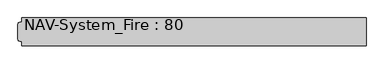
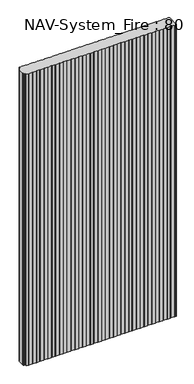
"""IFC4 building model written with IfcOpenShell, lengths in millimetres: plate geometry, NAV-System_Fire : 80."""

from ifc_helpers import new_model, si_unit, frame, origin, place, context, project, spatial, circle_curve, source, transform, mapped, element, save
from ifc_brep_helpers import plane_surface, cylinder_surface, advanced_brep


def nav_system_fire_80_c1c74612(model_context):
    return source(origin(), model_context, "Body", "AdvancedBrep", [
        advanced_brep(
        [(489.3798221, -0.8, 2000.0), (486.3798221, -1.8, 2000.0), (464.1201779, -1.8, 2000.0), (461.1201779, -0.8, 2000.0), (439.3798221, -0.8, 2000.0), (436.3798221, -1.8, 2000.0), (414.1201779, -1.8, 2000.0), (411.1201779, -0.8, 2000.0), (389.3798221, -0.8, 2000.0), (386.3798221, -1.8, 2000.0), (364.1201779, -1.8, 2000.0), (361.1201779, -0.8, 2000.0), (339.3798221, -0.8, 2000.0), (336.3798221, -1.8, 2000.0), (314.1201779, -1.8, 2000.0), (311.1201779, -0.8, 2000.0), (289.3798221, -0.8, 2000.0), (286.3798221, -1.8, 2000.0), (264.1201779, -1.8, 2000.0), (261.1201779, -0.8, 2000.0), (239.3798221, -0.8, 2000.0), (236.3798221, -1.8, 2000.0), (214.1201779, -1.8, 2000.0), (211.1201779, -0.8, 2000.0), (189.3798221, -0.8, 2000.0), (186.3798221, -1.8, 2000.0), (164.1201779, -1.8, 2000.0), (161.1201779, -0.8, 2000.0), (139.3798221, -0.8, 2000.0), (136.3798221, -1.8, 2000.0), (114.1201779, -1.8, 2000.0), (111.1201779, -0.8, 2000.0), (89.3798221, -0.8, 2000.0), (86.3798221, -1.8, 2000.0), (64.1201779, -1.8, 2000.0), (61.1201779, -0.8, 2000.0), (39.3798221, -0.8, 2000.0), (36.3798221, -1.8, 2000.0), (14.1201779, -1.8, 2000.0), (11.1201779, -0.8, 2000.0), (-10.6201779, -0.8, 2000.0), (-13.6201779, -1.8, 2000.0), (-35.8798221, -1.8, 2000.0), (-38.8798221, -0.8, 2000.0), (-60.6201779, -0.8, 2000.0), (-63.6201779, -1.8, 2000.0), (-85.8798221, -1.8, 2000.0), (-88.8798221, -0.8, 2000.0), (-110.6201779, -0.8, 2000.0), (-113.6201779, -1.8, 2000.0), (-135.8798221, -1.8, 2000.0), (-138.8798221, -0.8, 2000.0), (-160.6201779, -0.8, 2000.0), (-163.6201779, -1.8, 2000.0), (-185.8798221, -1.8, 2000.0), (-188.8798221, -0.8, 2000.0), (-210.6201779, -0.8, 2000.0), (-213.6201779, -1.8, 2000.0), (-235.8798221, -1.8, 2000.0), (-238.8798221, -0.8, 2000.0), (-260.6201779, -0.8, 2000.0), (-263.6201779, -1.8, 2000.0), (-285.8798221, -1.8, 2000.0), (-288.8798221, -0.8, 2000.0), (-310.6201779, -0.8, 2000.0), (-313.6201779, -1.8, 2000.0), (-335.8798221, -1.8, 2000.0), (-338.8798221, -0.8, 2000.0), (-360.6201779, -0.8, 2000.0), (-363.6201779, -1.8, 2000.0), (-385.8798221, -1.8, 2000.0), (-388.8798221, -0.8, 2000.0), (-410.6201779, -0.8, 2000.0), (-413.6201779, -1.8, 2000.0), (-435.8798221, -1.8, 2000.0), (-438.8798221, -0.8, 2000.0), (-460.6201779, -0.8, 2000.0), (-463.6201779, -1.8, 2000.0), (-476.9102086, -1.8, 2000.0), (-476.9102086, -14.4343223, 2000.0), (-483.4274784, -14.4343223, 2000.0), (-485.8625665, -14.8636942, 2000.0), (-487.3500004, -16.636349, 2000.0), (-487.3500004, -19.9487816, 2000.0), (-488.9002227, -19.9487816, 2000.0), (-488.9002227, -61.6487997, 2000.0), (-487.3500014, -61.6487997, 2000.0), (-487.3500014, -64.963651, 2000.0), (-485.8625665, -66.7363054, 2000.0), (-483.4274762, -67.1656777, 2000.0), (-476.9102086, -67.1656777, 2000.0), (-476.9102086, -79.8, 2000.0), (-463.6201779, -79.8, 2000.0), (-460.6201779, -80.8, 2000.0), (-438.8798221, -80.8, 2000.0), (-435.8798221, -79.8, 2000.0), (-413.6201779, -79.8, 2000.0), (-410.6201779, -80.8, 2000.0), (-388.8798221, -80.8, 2000.0), (-385.8798221, -79.8, 2000.0), (-363.6201779, -79.8, 2000.0), (-360.6201779, -80.8, 2000.0), (-338.8798221, -80.8, 2000.0), (-335.8798221, -79.8, 2000.0), (-313.6201779, -79.8, 2000.0), (-310.6201779, -80.8, 2000.0), (-288.8798221, -80.8, 2000.0), (-285.8798221, -79.8, 2000.0), (-263.6201779, -79.8, 2000.0), (-260.6201779, -80.8, 2000.0), (-238.8798221, -80.8, 2000.0), (-235.8798221, -79.8, 2000.0), (-213.6201779, -79.8, 2000.0), (-210.6201779, -80.8, 2000.0), (-188.8798221, -80.8, 2000.0), (-185.8798221, -79.8, 2000.0), (-163.6201779, -79.8, 2000.0), (-160.6201779, -80.8, 2000.0), (-138.8798221, -80.8, 2000.0), (-135.8798221, -79.8, 2000.0), (-113.6201779, -79.8, 2000.0), (-110.6201779, -80.8, 2000.0), (-88.8798221, -80.8, 2000.0), (-85.8798221, -79.8, 2000.0), (-63.6201779, -79.8, 2000.0), (-60.6201779, -80.8, 2000.0), (-38.8798221, -80.8, 2000.0), (-35.8798221, -79.8, 2000.0), (-13.6201779, -79.8, 2000.0), (-10.6201779, -80.8, 2000.0), (11.1201779, -80.8, 2000.0), (14.1201779, -79.8, 2000.0), (36.3798221, -79.8, 2000.0), (39.3798221, -80.8, 2000.0), (61.1201779, -80.8, 2000.0), (64.1201779, -79.8, 2000.0), (86.3798221, -79.8, 2000.0), (89.3798221, -80.8, 2000.0), (111.1201779, -80.8, 2000.0), (114.1201779, -79.8, 2000.0), (136.3798221, -79.8, 2000.0), (139.3798221, -80.8, 2000.0), (161.1201779, -80.8, 2000.0), (164.1201779, -79.8, 2000.0), (186.3798221, -79.8, 2000.0), (189.3798221, -80.8, 2000.0), (211.1201779, -80.8, 2000.0), (214.1201779, -79.8, 2000.0), (236.3798221, -79.8, 2000.0), (239.3798221, -80.8, 2000.0), (261.1201779, -80.8, 2000.0), (264.1201779, -79.8, 2000.0), (286.3798221, -79.8, 2000.0), (289.3798221, -80.8, 2000.0), (311.1201779, -80.8, 2000.0), (314.1201779, -79.8, 2000.0), (336.3798221, -79.8, 2000.0), (339.3798221, -80.8, 2000.0), (361.1201779, -80.8, 2000.0), (364.1201779, -79.8, 2000.0), (386.3798221, -79.8, 2000.0), (389.3798221, -80.8, 2000.0), (411.1201779, -80.8, 2000.0), (414.1201779, -79.8, 2000.0), (436.3798221, -79.8, 2000.0), (439.3798221, -80.8, 2000.0), (461.1201779, -80.8, 2000.0), (464.1201779, -79.8, 2000.0), (486.3798221, -79.8, 2000.0), (489.3798221, -80.8, 2000.0), (498.2500017, -80.8, 2000.0), (499.4471561, -79.6825886, 2000.0), (499.4471561, -75.3999876, 2000.0), (499.75, -75.3999876, 2000.0), (499.75, -6.2000131, 2000.0), (499.4471561, -6.2000131, 2000.0), (499.4471561, -1.9174088, 2000.0), (498.2500017, -0.8, 2000.0), (489.3798221, -0.8, 0.0), (498.2500017, -0.8, 0.0), (499.4471561, -1.9174088, 0.0), (499.4471561, -6.2000131, 0.0), (499.75, -6.2000131, 0.0), (499.75, -75.3999876, 0.0), (499.4471561, -75.3999876, 0.0), (499.4471561, -79.6825886, 0.0), (498.2500017, -80.8, 0.0), (489.3798221, -80.8, 0.0), (486.3798221, -79.8, 0.0), (464.1201779, -79.8, 0.0), (461.1201779, -80.8, 0.0), (439.3798221, -80.8, 0.0), (436.3798221, -79.8, 0.0), (414.1201779, -79.8, 0.0), (411.1201779, -80.8, 0.0), (389.3798221, -80.8, 0.0), (386.3798221, -79.8, 0.0), (364.1201779, -79.8, 0.0), (361.1201779, -80.8, 0.0), (339.3798221, -80.8, 0.0), (336.3798221, -79.8, 0.0), (314.1201779, -79.8, 0.0), (311.1201779, -80.8, 0.0), (289.3798221, -80.8, 0.0), (286.3798221, -79.8, 0.0), (264.1201779, -79.8, 0.0), (261.1201779, -80.8, 0.0), (239.3798221, -80.8, 0.0), (236.3798221, -79.8, 0.0), (214.1201779, -79.8, 0.0), (211.1201779, -80.8, 0.0), (189.3798221, -80.8, 0.0), (186.3798221, -79.8, 0.0), (164.1201779, -79.8, 0.0), (161.1201779, -80.8, 0.0), (139.3798221, -80.8, 0.0), (136.3798221, -79.8, 0.0), (114.1201779, -79.8, 0.0), (111.1201779, -80.8, 0.0), (89.3798221, -80.8, 0.0), (86.3798221, -79.8, 0.0), (64.1201779, -79.8, 0.0), (61.1201779, -80.8, 0.0), (39.3798221, -80.8, 0.0), (36.3798221, -79.8, 0.0), (14.1201779, -79.8, 0.0), (11.1201779, -80.8, 0.0), (-10.6201779, -80.8, 0.0), (-13.6201779, -79.8, 0.0), (-35.8798221, -79.8, 0.0), (-38.8798221, -80.8, 0.0), (-60.6201779, -80.8, 0.0), (-63.6201779, -79.8, 0.0), (-85.8798221, -79.8, 0.0), (-88.8798221, -80.8, 0.0), (-110.6201779, -80.8, 0.0), (-113.6201779, -79.8, 0.0), (-135.8798221, -79.8, 0.0), (-138.8798221, -80.8, 0.0), (-160.6201779, -80.8, 0.0), (-163.6201779, -79.8, 0.0), (-185.8798221, -79.8, 0.0), (-188.8798221, -80.8, 0.0), (-210.6201779, -80.8, 0.0), (-213.6201779, -79.8, 0.0), (-235.8798221, -79.8, 0.0), (-238.8798221, -80.8, 0.0), (-260.6201779, -80.8, 0.0), (-263.6201779, -79.8, 0.0), (-285.8798221, -79.8, 0.0), (-288.8798221, -80.8, 0.0), (-310.6201779, -80.8, 0.0), (-313.6201779, -79.8, 0.0), (-335.8798221, -79.8, 0.0), (-338.8798221, -80.8, 0.0), (-360.6201779, -80.8, 0.0), (-363.6201779, -79.8, 0.0), (-385.8798221, -79.8, 0.0), (-388.8798221, -80.8, 0.0), (-410.6201779, -80.8, 0.0), (-413.6201779, -79.8, 0.0), (-435.8798221, -79.8, 0.0), (-438.8798221, -80.8, 0.0), (-460.6201779, -80.8, 0.0), (-463.6201779, -79.8, 0.0), (-476.9102086, -79.8, 0.0), (-476.9102086, -67.1656777, 0.0), (-483.4274762, -67.1656777, 0.0), (-485.8625665, -66.7363054, 0.0), (-487.3500004, -64.963651, 0.0), (-487.3500014, -61.6487997, 0.0), (-488.9002227, -61.6487997, 0.0), (-488.9002227, -19.9487816, 0.0), (-487.3500004, -19.9487816, 0.0), (-487.3500004, -16.636349, 0.0), (-485.8625665, -14.8636942, 0.0), (-483.4274784, -14.4343223, 0.0), (-476.9102086, -14.4343223, 0.0), (-476.9102086, -1.8, 0.0), (-463.6201779, -1.8, 0.0), (-460.6201779, -0.8, 0.0), (-438.8798221, -0.8, 0.0), (-435.8798221, -1.8, 0.0), (-413.6201779, -1.8, 0.0), (-410.6201779, -0.8, 0.0), (-388.8798221, -0.8, 0.0), (-385.8798221, -1.8, 0.0), (-363.6201779, -1.8, 0.0), (-360.6201779, -0.8, 0.0), (-338.8798221, -0.8, 0.0), (-335.8798221, -1.8, 0.0), (-313.6201779, -1.8, 0.0), (-310.6201779, -0.8, 0.0), (-288.8798221, -0.8, 0.0), (-285.8798221, -1.8, 0.0), (-263.6201779, -1.8, 0.0), (-260.6201779, -0.8, 0.0), (-238.8798221, -0.8, 0.0), (-235.8798221, -1.8, 0.0), (-213.6201779, -1.8, 0.0), (-210.6201779, -0.8, 0.0), (-188.8798221, -0.8, 0.0), (-185.8798221, -1.8, 0.0), (-163.6201779, -1.8, 0.0), (-160.6201779, -0.8, 0.0), (-138.8798221, -0.8, 0.0), (-135.8798221, -1.8, 0.0), (-113.6201779, -1.8, 0.0), (-110.6201779, -0.8, 0.0), (-88.8798221, -0.8, 0.0), (-85.8798221, -1.8, 0.0), (-63.6201779, -1.8, 0.0), (-60.6201779, -0.8, 0.0), (-38.8798221, -0.8, 0.0), (-35.8798221, -1.8, 0.0), (-13.6201779, -1.8, 0.0), (-10.6201779, -0.8, 0.0), (11.1201779, -0.8, 0.0), (14.1201779, -1.8, 0.0), (36.3798221, -1.8, 0.0), (39.3798221, -0.8, 0.0), (61.1201779, -0.8, 0.0), (64.1201779, -1.8, 0.0), (86.3798221, -1.8, 0.0), (89.3798221, -0.8, 0.0), (111.1201779, -0.8, 0.0), (114.1201779, -1.8, 0.0), (136.3798221, -1.8, 0.0), (139.3798221, -0.8, 0.0), (161.1201779, -0.8, 0.0), (164.1201779, -1.8, 0.0), (186.3798221, -1.8, 0.0), (189.3798221, -0.8, 0.0), (211.1201779, -0.8, 0.0), (214.1201779, -1.8, 0.0), (236.3798221, -1.8, 0.0), (239.3798221, -0.8, 0.0), (261.1201779, -0.8, 0.0), (264.1201779, -1.8, 0.0), (286.3798221, -1.8, 0.0), (289.3798221, -0.8, 0.0), (311.1201779, -0.8, 0.0), (314.1201779, -1.8, 0.0), (336.3798221, -1.8, 0.0), (339.3798221, -0.8, 0.0), (361.1201779, -0.8, 0.0), (364.1201779, -1.8, 0.0), (386.3798221, -1.8, 0.0), (389.3798221, -0.8, 0.0), (411.1201779, -0.8, 0.0), (414.1201779, -1.8, 0.0), (436.3798221, -1.8, 0.0), (439.3798221, -0.8, 0.0), (461.1201779, -0.8, 0.0), (464.1201779, -1.8, 0.0), (486.3798221, -1.8, 0.0)],
        [
            (0, 1),
            (1, 2),
            (2, 3),
            (3, 4),
            (4, 5),
            (5, 6),
            (6, 7),
            (7, 8),
            (8, 9),
            (9, 10),
            (10, 11),
            (11, 12),
            (12, 13),
            (13, 14),
            (14, 15),
            (15, 16),
            (16, 17),
            (17, 18),
            (18, 19),
            (19, 20),
            (20, 21),
            (21, 22),
            (22, 23),
            (23, 24),
            (24, 25),
            (25, 26),
            (26, 27),
            (27, 28),
            (28, 29),
            (29, 30),
            (30, 31),
            (31, 32),
            (32, 33),
            (33, 34),
            (34, 35),
            (35, 36),
            (36, 37),
            (37, 38),
            (38, 39),
            (39, 40),
            (40, 41),
            (41, 42),
            (42, 43),
            (43, 44),
            (44, 45),
            (45, 46),
            (46, 47),
            (47, 48),
            (48, 49),
            (49, 50),
            (50, 51),
            (51, 52),
            (52, 53),
            (53, 54),
            (54, 55),
            (55, 56),
            (56, 57),
            (57, 58),
            (58, 59),
            (59, 60),
            (60, 61),
            (61, 62),
            (62, 63),
            (63, 64),
            (64, 65),
            (65, 66),
            (66, 67),
            (67, 68),
            (68, 69),
            (69, 70),
            (70, 71),
            (71, 72),
            (72, 73),
            (73, 74),
            (74, 75),
            (75, 76),
            (76, 77),
            (77, 78),
            (78, 79),
            (79, 80),
            (80, 81),
            (81, 82, circle_curve(frame((-485.5499995, -16.636349, 2000.0), z_axis=(0.0, 0.0, 1.0), x_axis=(1.0, 0.0, 0.0)), 1.8000009)),
            (82, 83),
            (83, 84),
            (84, 85),
            (85, 86),
            (86, 87),
            (87, 88, circle_curve(frame((-485.5499995, -64.9636506, 2000.0), z_axis=(0.0, 0.0, 1.0), x_axis=(1.0, 0.0, 0.0)), 1.8000009)),
            (88, 89),
            (89, 90),
            (90, 91),
            (91, 92),
            (92, 93),
            (93, 94),
            (94, 95),
            (95, 96),
            (96, 97),
            (97, 98),
            (98, 99),
            (99, 100),
            (100, 101),
            (101, 102),
            (102, 103),
            (103, 104),
            (104, 105),
            (105, 106),
            (106, 107),
            (107, 108),
            (108, 109),
            (109, 110),
            (110, 111),
            (111, 112),
            (112, 113),
            (113, 114),
            (114, 115),
            (115, 116),
            (116, 117),
            (117, 118),
            (118, 119),
            (119, 120),
            (120, 121),
            (121, 122),
            (122, 123),
            (123, 124),
            (124, 125),
            (125, 126),
            (126, 127),
            (127, 128),
            (128, 129),
            (129, 130),
            (130, 131),
            (131, 132),
            (132, 133),
            (133, 134),
            (134, 135),
            (135, 136),
            (136, 137),
            (137, 138),
            (138, 139),
            (139, 140),
            (140, 141),
            (141, 142),
            (142, 143),
            (143, 144),
            (144, 145),
            (145, 146),
            (146, 147),
            (147, 148),
            (148, 149),
            (149, 150),
            (150, 151),
            (151, 152),
            (152, 153),
            (153, 154),
            (154, 155),
            (155, 156),
            (156, 157),
            (157, 158),
            (158, 159),
            (159, 160),
            (160, 161),
            (161, 162),
            (162, 163),
            (163, 164),
            (164, 165),
            (165, 166),
            (166, 167),
            (167, 168),
            (168, 169),
            (169, 170),
            (170, 171, circle_curve(frame((498.2500017, -79.6000001, 2000.0), z_axis=(0.0, 0.0, 1.0), x_axis=(1.0, 0.0, 0.0)), 1.1999999)),
            (171, 172),
            (172, 173),
            (173, 174),
            (174, 175),
            (175, 176),
            (176, 177, circle_curve(frame((498.2500017, -2.0, 2000.0), z_axis=(0.0, 0.0, 1.0), x_axis=(1.0, 0.0, 0.0)), 1.2)),
            (177, 0),
            (178, 179),
            (179, 180, circle_curve(frame((498.2500017, -2.0, 0.0), z_axis=(0.0, 0.0, -1.0), x_axis=(1.0, 0.0, 0.0)), 1.2)),
            (180, 181),
            (181, 182),
            (182, 183),
            (183, 184),
            (184, 185),
            (185, 186, circle_curve(frame((498.2500017, -79.6000001, 0.0), z_axis=(0.0, 0.0, -1.0), x_axis=(1.0, 0.0, 0.0)), 1.1999999)),
            (186, 187),
            (187, 188),
            (188, 189),
            (189, 190),
            (190, 191),
            (191, 192),
            (192, 193),
            (193, 194),
            (194, 195),
            (195, 196),
            (196, 197),
            (197, 198),
            (198, 199),
            (199, 200),
            (200, 201),
            (201, 202),
            (202, 203),
            (203, 204),
            (204, 205),
            (205, 206),
            (206, 207),
            (207, 208),
            (208, 209),
            (209, 210),
            (210, 211),
            (211, 212),
            (212, 213),
            (213, 214),
            (214, 215),
            (215, 216),
            (216, 217),
            (217, 218),
            (218, 219),
            (219, 220),
            (220, 221),
            (221, 222),
            (222, 223),
            (223, 224),
            (224, 225),
            (225, 226),
            (226, 227),
            (227, 228),
            (228, 229),
            (229, 230),
            (230, 231),
            (231, 232),
            (232, 233),
            (233, 234),
            (234, 235),
            (235, 236),
            (236, 237),
            (237, 238),
            (238, 239),
            (239, 240),
            (240, 241),
            (241, 242),
            (242, 243),
            (243, 244),
            (244, 245),
            (245, 246),
            (246, 247),
            (247, 248),
            (248, 249),
            (249, 250),
            (250, 251),
            (251, 252),
            (252, 253),
            (253, 254),
            (254, 255),
            (255, 256),
            (256, 257),
            (257, 258),
            (258, 259),
            (259, 260),
            (260, 261),
            (261, 262),
            (262, 263),
            (263, 264),
            (264, 265),
            (265, 266),
            (266, 267),
            (267, 268),
            (268, 269, circle_curve(frame((-485.5499995, -64.9636506, 0.0), z_axis=(0.0, 0.0, -1.0), x_axis=(1.0, 0.0, 0.0)), 1.8000009)),
            (269, 270),
            (270, 271),
            (271, 272),
            (272, 273),
            (273, 274),
            (274, 275, circle_curve(frame((-485.5499995, -16.636349, 0.0), z_axis=(0.0, 0.0, -1.0), x_axis=(1.0, 0.0, 0.0)), 1.8000009)),
            (275, 276),
            (276, 277),
            (277, 278),
            (278, 279),
            (279, 280),
            (280, 281),
            (281, 282),
            (282, 283),
            (283, 284),
            (284, 285),
            (285, 286),
            (286, 287),
            (287, 288),
            (288, 289),
            (289, 290),
            (290, 291),
            (291, 292),
            (292, 293),
            (293, 294),
            (294, 295),
            (295, 296),
            (296, 297),
            (297, 298),
            (298, 299),
            (299, 300),
            (300, 301),
            (301, 302),
            (302, 303),
            (303, 304),
            (304, 305),
            (305, 306),
            (306, 307),
            (307, 308),
            (308, 309),
            (309, 310),
            (310, 311),
            (311, 312),
            (312, 313),
            (313, 314),
            (314, 315),
            (315, 316),
            (316, 317),
            (317, 318),
            (318, 319),
            (319, 320),
            (320, 321),
            (321, 322),
            (322, 323),
            (323, 324),
            (324, 325),
            (325, 326),
            (326, 327),
            (327, 328),
            (328, 329),
            (329, 330),
            (330, 331),
            (331, 332),
            (332, 333),
            (333, 334),
            (334, 335),
            (335, 336),
            (336, 337),
            (337, 338),
            (338, 339),
            (339, 340),
            (340, 341),
            (341, 342),
            (342, 343),
            (343, 344),
            (344, 345),
            (345, 346),
            (346, 347),
            (347, 348),
            (348, 349),
            (349, 350),
            (350, 351),
            (351, 352),
            (352, 353),
            (353, 354),
            (354, 355),
            (355, 178),
            (177, 179),
            (178, 0),
            (355, 1),
            (354, 2),
            (353, 3),
            (352, 4),
            (351, 5),
            (350, 6),
            (349, 7),
            (348, 8),
            (347, 9),
            (346, 10),
            (345, 11),
            (344, 12),
            (343, 13),
            (342, 14),
            (341, 15),
            (340, 16),
            (339, 17),
            (338, 18),
            (337, 19),
            (336, 20),
            (335, 21),
            (334, 22),
            (333, 23),
            (332, 24),
            (331, 25),
            (330, 26),
            (329, 27),
            (328, 28),
            (327, 29),
            (326, 30),
            (325, 31),
            (324, 32),
            (323, 33),
            (322, 34),
            (321, 35),
            (320, 36),
            (319, 37),
            (318, 38),
            (317, 39),
            (316, 40),
            (315, 41),
            (314, 42),
            (313, 43),
            (312, 44),
            (311, 45),
            (310, 46),
            (309, 47),
            (308, 48),
            (307, 49),
            (306, 50),
            (305, 51),
            (304, 52),
            (303, 53),
            (302, 54),
            (301, 55),
            (300, 56),
            (299, 57),
            (298, 58),
            (297, 59),
            (296, 60),
            (295, 61),
            (294, 62),
            (293, 63),
            (292, 64),
            (291, 65),
            (290, 66),
            (289, 67),
            (288, 68),
            (287, 69),
            (286, 70),
            (285, 71),
            (284, 72),
            (283, 73),
            (282, 74),
            (281, 75),
            (280, 76),
            (279, 77),
            (278, 78),
            (91, 265),
            (264, 92),
            (263, 93),
            (262, 94),
            (261, 95),
            (260, 96),
            (259, 97),
            (258, 98),
            (257, 99),
            (256, 100),
            (255, 101),
            (254, 102),
            (253, 103),
            (252, 104),
            (251, 105),
            (250, 106),
            (249, 107),
            (248, 108),
            (247, 109),
            (246, 110),
            (245, 111),
            (244, 112),
            (243, 113),
            (242, 114),
            (241, 115),
            (240, 116),
            (239, 117),
            (238, 118),
            (237, 119),
            (236, 120),
            (235, 121),
            (234, 122),
            (233, 123),
            (232, 124),
            (231, 125),
            (230, 126),
            (229, 127),
            (228, 128),
            (227, 129),
            (226, 130),
            (225, 131),
            (224, 132),
            (223, 133),
            (222, 134),
            (221, 135),
            (220, 136),
            (219, 137),
            (218, 138),
            (217, 139),
            (216, 140),
            (215, 141),
            (214, 142),
            (213, 143),
            (212, 144),
            (211, 145),
            (210, 146),
            (209, 147),
            (208, 148),
            (207, 149),
            (206, 150),
            (205, 151),
            (204, 152),
            (203, 153),
            (202, 154),
            (201, 155),
            (200, 156),
            (199, 157),
            (198, 158),
            (197, 159),
            (196, 160),
            (195, 161),
            (194, 162),
            (193, 163),
            (192, 164),
            (191, 165),
            (190, 166),
            (189, 167),
            (188, 168),
            (187, 169),
            (186, 170),
            (277, 79),
            (276, 80),
            (82, 274),
            (273, 83),
            (272, 84),
            (271, 85),
            (89, 267),
            (266, 90),
            (185, 171),
            (184, 172),
            (183, 173),
            (181, 175),
            (174, 182),
            (180, 176),
            (275, 81),
            (270, 86),
            (269, 87),
            (268, 88),
        ],
        [
            plane_surface(frame((-499.75, 0.0, 2000.0), z_axis=(0.0, 0.0, 1.0), x_axis=(0.0, -1.0, 0.0))),
            plane_surface(frame((-499.75, 0.0, 0.0), z_axis=(0.0, 0.0, -1.0), x_axis=(0.0, -1.0, 0.0))),
            plane_surface(frame((498.2500017, -0.8, 2000.0), z_axis=(0.0, 1.0, 0.0), x_axis=(0.0, 0.0, -1.0))),
            plane_surface(frame((489.3798221, -0.8, 2000.0), z_axis=(-0.31622776601669594, 0.9486832980505612, 0.0), x_axis=(0.0, 0.0, -1.0))),
            plane_surface(frame((486.3798221, -1.8, 2000.0), z_axis=(0.0, 1.0, 0.0), x_axis=(0.0, 0.0, -1.0))),
            plane_surface(frame((464.1201779, -1.8, 2000.0), z_axis=(0.3162277660168045, 0.948683298050525, 0.0), x_axis=(0.0, 0.0, -1.0))),
            plane_surface(frame((461.1201779, -0.8, 2000.0), z_axis=(0.0, 1.0, 0.0), x_axis=(0.0, 0.0, -1.0))),
            plane_surface(frame((439.3798221, -0.8, 2000.0), z_axis=(-0.3162277660167413, 0.9486832980505461, 0.0), x_axis=(0.0, 0.0, -1.0))),
            plane_surface(frame((436.3798221, -1.8, 2000.0), z_axis=(0.0, 1.0, 0.0), x_axis=(0.0, 0.0, -1.0))),
            plane_surface(frame((414.1201779, -1.8, 2000.0), z_axis=(0.31622776601675356, 0.948683298050542, 0.0), x_axis=(0.0, 0.0, -1.0))),
            plane_surface(frame((411.1201779, -0.8, 2000.0), z_axis=(0.0, 1.0, 0.0), x_axis=(0.0, 0.0, -1.0))),
            plane_surface(frame((389.3798221, -0.8, 2000.0), z_axis=(-0.31622776601679226, 0.9486832980505291, 0.0), x_axis=(0.0, 0.0, -1.0))),
            plane_surface(frame((386.3798221, -1.8, 2000.0), z_axis=(0.0, 1.0, 0.0), x_axis=(0.0, 0.0, -1.0))),
            plane_surface(frame((364.1201779, -1.8, 2000.0), z_axis=(0.3162277660168045, 0.948683298050525, 0.0), x_axis=(0.0, 0.0, -1.0))),
            plane_surface(frame((361.1201779, -0.8, 2000.0), z_axis=(0.0, 1.0, 0.0), x_axis=(0.0, 0.0, -1.0))),
            plane_surface(frame((339.3798221, -0.8, 2000.0), z_axis=(-0.3162277660167413, 0.9486832980505461, 0.0), x_axis=(0.0, 0.0, -1.0))),
            plane_surface(frame((336.3798221, -1.8, 2000.0), z_axis=(0.0, 1.0, 0.0), x_axis=(0.0, 0.0, -1.0))),
            plane_surface(frame((314.1201779, -1.8, 2000.0), z_axis=(0.31622776601675356, 0.948683298050542, 0.0), x_axis=(0.0, 0.0, -1.0))),
            plane_surface(frame((311.1201779, -0.8, 2000.0), z_axis=(0.0, 1.0, 0.0), x_axis=(0.0, 0.0, -1.0))),
            plane_surface(frame((289.3798221, -0.8, 2000.0), z_axis=(-0.31622776601679226, 0.9486832980505291, 0.0), x_axis=(0.0, 0.0, -1.0))),
            plane_surface(frame((286.3798221, -1.8, 2000.0), z_axis=(0.0, 1.0, 0.0), x_axis=(0.0, 0.0, -1.0))),
            plane_surface(frame((264.1201779, -1.8, 2000.0), z_axis=(0.3162277660168045, 0.948683298050525, 0.0), x_axis=(0.0, 0.0, -1.0))),
            plane_surface(frame((261.1201779, -0.8, 2000.0), z_axis=(0.0, 1.0, 0.0), x_axis=(0.0, 0.0, -1.0))),
            plane_surface(frame((239.3798221, -0.8, 2000.0), z_axis=(-0.3162277660167413, 0.9486832980505461, 0.0), x_axis=(0.0, 0.0, -1.0))),
            plane_surface(frame((236.3798221, -1.8, 2000.0), z_axis=(0.0, 1.0, 0.0), x_axis=(0.0, 0.0, -1.0))),
            plane_surface(frame((214.1201779, -1.8, 2000.0), z_axis=(0.31622776601675356, 0.948683298050542, 0.0), x_axis=(0.0, 0.0, -1.0))),
            plane_surface(frame((211.1201779, -0.8, 2000.0), z_axis=(0.0, 1.0, 0.0), x_axis=(0.0, 0.0, -1.0))),
            plane_surface(frame((189.3798221, -0.8, 2000.0), z_axis=(-0.31622776601679226, 0.9486832980505291, 0.0), x_axis=(0.0, 0.0, -1.0))),
            plane_surface(frame((186.3798221, -1.8, 2000.0), z_axis=(0.0, 1.0, 0.0), x_axis=(0.0, 0.0, -1.0))),
            plane_surface(frame((164.1201779, -1.8, 2000.0), z_axis=(0.3162277660168045, 0.948683298050525, 0.0), x_axis=(0.0, 0.0, -1.0))),
            plane_surface(frame((161.1201779, -0.8, 2000.0), z_axis=(0.0, 1.0, 0.0), x_axis=(0.0, 0.0, -1.0))),
            plane_surface(frame((139.3798221, -0.8, 2000.0), z_axis=(-0.3162277660167413, 0.9486832980505461, 0.0), x_axis=(0.0, 0.0, -1.0))),
            plane_surface(frame((136.3798221, -1.8, 2000.0), z_axis=(0.0, 1.0, 0.0), x_axis=(0.0, 0.0, -1.0))),
            plane_surface(frame((114.1201779, -1.8, 2000.0), z_axis=(0.31622776601675356, 0.948683298050542, 0.0), x_axis=(0.0, 0.0, -1.0))),
            plane_surface(frame((111.1201779, -0.8, 2000.0), z_axis=(0.0, 1.0, 0.0), x_axis=(0.0, 0.0, -1.0))),
            plane_surface(frame((89.3798221, -0.8, 2000.0), z_axis=(-0.3162277660167413, 0.9486832980505461, 0.0), x_axis=(0.0, 0.0, -1.0))),
            plane_surface(frame((86.3798221, -1.8, 2000.0), z_axis=(0.0, 1.0, 0.0), x_axis=(0.0, 0.0, -1.0))),
            plane_surface(frame((64.1201779, -1.8, 2000.0), z_axis=(0.31622776601675356, 0.948683298050542, 0.0), x_axis=(0.0, 0.0, -1.0))),
            plane_surface(frame((61.1201779, -0.8, 2000.0), z_axis=(0.0, 1.0, 0.0), x_axis=(0.0, 0.0, -1.0))),
            plane_surface(frame((39.3798221, -0.8, 2000.0), z_axis=(-0.31622776601679226, 0.9486832980505291, 0.0), x_axis=(0.0, 0.0, -1.0))),
            plane_surface(frame((36.3798221, -1.8, 2000.0), z_axis=(0.0, 1.0, 0.0), x_axis=(0.0, 0.0, -1.0))),
            plane_surface(frame((14.1201779, -1.8, 2000.0), z_axis=(0.3162277660168045, 0.948683298050525, 0.0), x_axis=(0.0, 0.0, -1.0))),
            plane_surface(frame((11.1201779, -0.8, 2000.0), z_axis=(0.0, 1.0, 0.0), x_axis=(0.0, 0.0, -1.0))),
            plane_surface(frame((-10.6201779, -0.8, 2000.0), z_axis=(-0.3162277660167413, 0.9486832980505461, 0.0), x_axis=(0.0, 0.0, -1.0))),
            plane_surface(frame((-13.6201779, -1.8, 2000.0), z_axis=(0.0, 1.0, 0.0), x_axis=(0.0, 0.0, -1.0))),
            plane_surface(frame((-35.8798221, -1.8, 2000.0), z_axis=(0.31622776601675356, 0.948683298050542, 0.0), x_axis=(0.0, 0.0, -1.0))),
            plane_surface(frame((-38.8798221, -0.8, 2000.0), z_axis=(0.0, 1.0, 0.0), x_axis=(0.0, 0.0, -1.0))),
            plane_surface(frame((-60.6201779, -0.8, 2000.0), z_axis=(-0.31622776601679226, 0.9486832980505291, 0.0), x_axis=(0.0, 0.0, -1.0))),
            plane_surface(frame((-63.6201779, -1.8, 2000.0), z_axis=(0.0, 1.0, 0.0), x_axis=(0.0, 0.0, -1.0))),
            plane_surface(frame((-85.8798221, -1.8, 2000.0), z_axis=(0.3162277660168045, 0.948683298050525, 0.0), x_axis=(0.0, 0.0, -1.0))),
            plane_surface(frame((-88.8798221, -0.8, 2000.0), z_axis=(0.0, 1.0, 0.0), x_axis=(0.0, 0.0, -1.0))),
            plane_surface(frame((-110.6201779, -0.8, 2000.0), z_axis=(-0.3162277660167413, 0.9486832980505461, 0.0), x_axis=(0.0, 0.0, -1.0))),
            plane_surface(frame((-113.6201779, -1.8, 2000.0), z_axis=(0.0, 1.0, 0.0), x_axis=(0.0, 0.0, -1.0))),
            plane_surface(frame((-135.8798221, -1.8, 2000.0), z_axis=(0.31622776601675356, 0.948683298050542, 0.0), x_axis=(0.0, 0.0, -1.0))),
            plane_surface(frame((-138.8798221, -0.8, 2000.0), z_axis=(0.0, 1.0, 0.0), x_axis=(0.0, 0.0, -1.0))),
            plane_surface(frame((-160.6201779, -0.8, 2000.0), z_axis=(-0.31622776601679226, 0.9486832980505291, 0.0), x_axis=(0.0, 0.0, -1.0))),
            plane_surface(frame((-163.6201779, -1.8, 2000.0), z_axis=(0.0, 1.0, 0.0), x_axis=(0.0, 0.0, -1.0))),
            plane_surface(frame((-185.8798221, -1.8, 2000.0), z_axis=(0.3162277660168056, 0.9486832980505246, 0.0), x_axis=(0.0, 0.0, -1.0))),
            plane_surface(frame((-188.8798221, -0.8, 2000.0), z_axis=(0.0, 1.0, 0.0), x_axis=(0.0, 0.0, -1.0))),
            plane_surface(frame((-210.6201779, -0.8, 2000.0), z_axis=(-0.3162277660167413, 0.9486832980505461, 0.0), x_axis=(0.0, 0.0, -1.0))),
            plane_surface(frame((-213.6201779, -1.8, 2000.0), z_axis=(0.0, 1.0, 0.0), x_axis=(0.0, 0.0, -1.0))),
            plane_surface(frame((-235.8798221, -1.8, 2000.0), z_axis=(0.31622776601675356, 0.948683298050542, 0.0), x_axis=(0.0, 0.0, -1.0))),
            plane_surface(frame((-238.8798221, -0.8, 2000.0), z_axis=(0.0, 1.0, 0.0), x_axis=(0.0, 0.0, -1.0))),
            plane_surface(frame((-260.6201779, -0.8, 2000.0), z_axis=(-0.31622776601679226, 0.9486832980505291, 0.0), x_axis=(0.0, 0.0, -1.0))),
            plane_surface(frame((-263.6201779, -1.8, 2000.0), z_axis=(0.0, 1.0, 0.0), x_axis=(0.0, 0.0, -1.0))),
            plane_surface(frame((-285.8798221, -1.8, 2000.0), z_axis=(0.3162277660168045, 0.948683298050525, 0.0), x_axis=(0.0, 0.0, -1.0))),
            plane_surface(frame((-288.8798221, -0.8, 2000.0), z_axis=(0.0, 1.0, 0.0), x_axis=(0.0, 0.0, -1.0))),
            plane_surface(frame((-310.6201779, -0.8, 2000.0), z_axis=(-0.3162277660167413, 0.9486832980505461, 0.0), x_axis=(0.0, 0.0, -1.0))),
            plane_surface(frame((-313.6201779, -1.8, 2000.0), z_axis=(0.0, 1.0, 0.0), x_axis=(0.0, 0.0, -1.0))),
            plane_surface(frame((-335.8798221, -1.8, 2000.0), z_axis=(0.31622776601675356, 0.948683298050542, 0.0), x_axis=(0.0, 0.0, -1.0))),
            plane_surface(frame((-338.8798221, -0.8, 2000.0), z_axis=(0.0, 1.0, 0.0), x_axis=(0.0, 0.0, -1.0))),
            plane_surface(frame((-360.6201779, -0.8, 2000.0), z_axis=(-0.31622776601679226, 0.9486832980505291, 0.0), x_axis=(0.0, 0.0, -1.0))),
            plane_surface(frame((-363.6201779, -1.8, 2000.0), z_axis=(0.0, 1.0, 0.0), x_axis=(0.0, 0.0, -1.0))),
            plane_surface(frame((-385.8798221, -1.8, 2000.0), z_axis=(0.3162277660168045, 0.948683298050525, 0.0), x_axis=(0.0, 0.0, -1.0))),
            plane_surface(frame((-388.8798221, -0.8, 2000.0), z_axis=(0.0, 1.0, 0.0), x_axis=(0.0, 0.0, -1.0))),
            plane_surface(frame((-410.6201779, -0.8, 2000.0), z_axis=(-0.31622776601679226, 0.9486832980505291, 0.0), x_axis=(0.0, 0.0, -1.0))),
            plane_surface(frame((-413.6201779, -1.8, 2000.0), z_axis=(0.0, 1.0, 0.0), x_axis=(0.0, 0.0, -1.0))),
            plane_surface(frame((-435.8798221, -1.8, 2000.0), z_axis=(0.3162277660168045, 0.948683298050525, 0.0), x_axis=(0.0, 0.0, -1.0))),
            plane_surface(frame((-438.8798221, -0.8, 2000.0), z_axis=(0.0, 1.0, 0.0), x_axis=(0.0, 0.0, -1.0))),
            plane_surface(frame((-460.6201779, -0.8, 2000.0), z_axis=(-0.3162277660167413, 0.9486832980505461, 0.0), x_axis=(0.0, 0.0, -1.0))),
            plane_surface(frame((-463.6201779, -1.8, 2000.0), z_axis=(0.0, 1.0, 0.0), x_axis=(0.0, 0.0, -1.0))),
            plane_surface(frame((-476.9102086, -79.8, 2000.0), z_axis=(0.0, -1.0, 0.0), x_axis=(0.0, 0.0, -1.0))),
            plane_surface(frame((-463.6201779, -79.8, 2000.0), z_axis=(-0.3162277660167994, -0.9486832980505266, 0.0), x_axis=(0.0, 0.0, -1.0))),
            plane_surface(frame((-460.6201779, -80.8, 2000.0), z_axis=(0.0, -1.0, 0.0), x_axis=(0.0, 0.0, -1.0))),
            plane_surface(frame((-438.8798221, -80.8, 2000.0), z_axis=(0.3162277660166068, -0.9486832980505908, 0.0), x_axis=(0.0, 0.0, -1.0))),
            plane_surface(frame((-435.8798221, -79.8, 2000.0), z_axis=(0.0, -1.0, 0.0), x_axis=(0.0, 0.0, -1.0))),
            plane_surface(frame((-413.6201779, -79.8, 2000.0), z_axis=(-0.3162277660169856, -0.9486832980504646, 0.0), x_axis=(0.0, 0.0, -1.0))),
            plane_surface(frame((-410.6201779, -80.8, 2000.0), z_axis=(0.0, -1.0, 0.0), x_axis=(0.0, 0.0, -1.0))),
            plane_surface(frame((-388.8798221, -80.8, 2000.0), z_axis=(0.3162277660165394, -0.9486832980506134, 0.0), x_axis=(0.0, 0.0, -1.0))),
            plane_surface(frame((-385.8798221, -79.8, 2000.0), z_axis=(0.0, -1.0, 0.0), x_axis=(0.0, 0.0, -1.0))),
            plane_surface(frame((-363.6201779, -79.8, 2000.0), z_axis=(-0.31622776601699204, -0.9486832980504625, 0.0), x_axis=(0.0, 0.0, -1.0))),
            plane_surface(frame((-360.6201779, -80.8, 2000.0), z_axis=(0.0, -1.0, 0.0), x_axis=(0.0, 0.0, -1.0))),
            plane_surface(frame((-338.8798221, -80.8, 2000.0), z_axis=(0.31622776601646235, -0.948683298050639, 0.0), x_axis=(0.0, 0.0, -1.0))),
            plane_surface(frame((-335.8798221, -79.8, 2000.0), z_axis=(0.0, -1.0, 0.0), x_axis=(0.0, 0.0, -1.0))),
            plane_surface(frame((-313.6201779, -79.8, 2000.0), z_axis=(-0.31622776601685726, -0.9486832980505074, 0.0), x_axis=(0.0, 0.0, -1.0))),
            plane_surface(frame((-310.6201779, -80.8, 2000.0), z_axis=(0.0, -1.0, 0.0), x_axis=(0.0, 0.0, -1.0))),
            plane_surface(frame((-288.8798221, -80.8, 2000.0), z_axis=(0.3162277660164078, -0.9486832980506572, 0.0), x_axis=(0.0, 0.0, -1.0))),
            plane_surface(frame((-285.8798221, -79.8, 2000.0), z_axis=(0.0, -1.0, 0.0), x_axis=(0.0, 0.0, -1.0))),
            plane_surface(frame((-263.6201779, -79.8, 2000.0), z_axis=(-0.316227766016809, -0.9486832980505234, 0.0), x_axis=(0.0, 0.0, -1.0))),
            plane_surface(frame((-260.6201779, -80.8, 2000.0), z_axis=(0.0, -1.0, 0.0), x_axis=(0.0, 0.0, -1.0))),
            plane_surface(frame((-238.8798221, -80.8, 2000.0), z_axis=(0.3162277660164688, -0.9486832980506369, 0.0), x_axis=(0.0, 0.0, -1.0))),
            plane_surface(frame((-235.8798221, -79.8, 2000.0), z_axis=(0.0, -1.0, 0.0), x_axis=(0.0, 0.0, -1.0))),
            plane_surface(frame((-213.6201779, -79.8, 2000.0), z_axis=(-0.31622776601692465, -0.948683298050485, 0.0), x_axis=(0.0, 0.0, -1.0))),
            plane_surface(frame((-210.6201779, -80.8, 2000.0), z_axis=(0.0, -1.0, 0.0), x_axis=(0.0, 0.0, -1.0))),
            plane_surface(frame((-188.8798221, -80.8, 2000.0), z_axis=(0.3162277660164816, -0.9486832980506327, 0.0), x_axis=(0.0, 0.0, -1.0))),
            plane_surface(frame((-185.8798221, -79.8, 2000.0), z_axis=(0.0, -1.0, 0.0), x_axis=(0.0, 0.0, -1.0))),
            plane_surface(frame((-163.6201779, -79.8, 2000.0), z_axis=(-0.316227766016915, -0.9486832980504881, 0.0), x_axis=(0.0, 0.0, -1.0))),
            plane_surface(frame((-160.6201779, -80.8, 2000.0), z_axis=(0.0, -1.0, 0.0), x_axis=(0.0, 0.0, -1.0))),
            plane_surface(frame((-138.8798221, -80.8, 2000.0), z_axis=(0.31622776601652014, -0.9486832980506198, 0.0), x_axis=(0.0, 0.0, -1.0))),
            plane_surface(frame((-135.8798221, -79.8, 2000.0), z_axis=(0.0, -1.0, 0.0), x_axis=(0.0, 0.0, -1.0))),
            plane_surface(frame((-113.6201779, -79.8, 2000.0), z_axis=(-0.31622776601686364, -0.9486832980505052, 0.0), x_axis=(0.0, 0.0, -1.0))),
            plane_surface(frame((-110.6201779, -80.8, 2000.0), z_axis=(0.0, -1.0, 0.0), x_axis=(0.0, 0.0, -1.0))),
            plane_surface(frame((-88.8798221, -80.8, 2000.0), z_axis=(0.3162277660164463, -0.9486832980506443, 0.0), x_axis=(0.0, 0.0, -1.0))),
            plane_surface(frame((-85.8798221, -79.8, 2000.0), z_axis=(0.0, -1.0, 0.0), x_axis=(0.0, 0.0, -1.0))),
            plane_surface(frame((-63.6201779, -79.8, 2000.0), z_axis=(-0.3162277660169182, -0.948683298050487, 0.0), x_axis=(0.0, 0.0, -1.0))),
            plane_surface(frame((-60.6201779, -80.8, 2000.0), z_axis=(0.0, -1.0, 0.0), x_axis=(0.0, 0.0, -1.0))),
            plane_surface(frame((-38.8798221, -80.8, 2000.0), z_axis=(0.3162277660164656, -0.948683298050638, 0.0), x_axis=(0.0, 0.0, -1.0))),
            plane_surface(frame((-35.8798221, -79.8, 2000.0), z_axis=(0.0, -1.0, 0.0), x_axis=(0.0, 0.0, -1.0))),
            plane_surface(frame((-13.6201779, -79.8, 2000.0), z_axis=(-0.31622776601685726, -0.9486832980505074, 0.0), x_axis=(0.0, 0.0, -1.0))),
            plane_surface(frame((-10.6201779, -80.8, 2000.0), z_axis=(0.0, -1.0, 0.0), x_axis=(0.0, 0.0, -1.0))),
            plane_surface(frame((11.1201779, -80.8, 2000.0), z_axis=(0.31622776601650726, -0.948683298050624, 0.0), x_axis=(0.0, 0.0, -1.0))),
            plane_surface(frame((14.1201779, -79.8, 2000.0), z_axis=(0.0, -1.0, 0.0), x_axis=(0.0, 0.0, -1.0))),
            plane_surface(frame((36.3798221, -79.8, 2000.0), z_axis=(-0.3162277660169535, -0.9486832980504752, 0.0), x_axis=(0.0, 0.0, -1.0))),
            plane_surface(frame((39.3798221, -80.8, 2000.0), z_axis=(0.0, -1.0, 0.0), x_axis=(0.0, 0.0, -1.0))),
            plane_surface(frame((61.1201779, -80.8, 2000.0), z_axis=(0.31622776601646235, -0.948683298050639, 0.0), x_axis=(0.0, 0.0, -1.0))),
            plane_surface(frame((64.1201779, -79.8, 2000.0), z_axis=(0.0, -1.0, 0.0), x_axis=(0.0, 0.0, -1.0))),
            plane_surface(frame((86.3798221, -79.8, 2000.0), z_axis=(-0.3162277660169086, -0.9486832980504903, 0.0), x_axis=(0.0, 0.0, -1.0))),
            plane_surface(frame((89.3798221, -80.8, 2000.0), z_axis=(0.0, -1.0, 0.0), x_axis=(0.0, 0.0, -1.0))),
            plane_surface(frame((111.1201779, -80.8, 2000.0), z_axis=(0.31622776601658753, -0.9486832980505973, 0.0), x_axis=(0.0, 0.0, -1.0))),
            plane_surface(frame((114.1201779, -79.8, 2000.0), z_axis=(0.0, -1.0, 0.0), x_axis=(0.0, 0.0, -1.0))),
            plane_surface(frame((136.3798221, -79.8, 2000.0), z_axis=(-0.3162277660169246, -0.9486832980504849, 0.0), x_axis=(0.0, 0.0, -1.0))),
            plane_surface(frame((139.3798221, -80.8, 2000.0), z_axis=(0.0, -1.0, 0.0), x_axis=(0.0, 0.0, -1.0))),
            plane_surface(frame((161.1201779, -80.8, 2000.0), z_axis=(0.3162277660164913, -0.9486832980506295, 0.0), x_axis=(0.0, 0.0, -1.0))),
            plane_surface(frame((164.1201779, -79.8, 2000.0), z_axis=(0.0, -1.0, 0.0), x_axis=(0.0, 0.0, -1.0))),
            plane_surface(frame((186.3798221, -79.8, 2000.0), z_axis=(-0.31622776601696956, -0.9486832980504699, 0.0), x_axis=(0.0, 0.0, -1.0))),
            plane_surface(frame((189.3798221, -80.8, 2000.0), z_axis=(0.0, -1.0, 0.0), x_axis=(0.0, 0.0, -1.0))),
            plane_surface(frame((211.1201779, -80.8, 2000.0), z_axis=(0.3162277660165522, -0.948683298050609, 0.0), x_axis=(0.0, 0.0, -1.0))),
            plane_surface(frame((214.1201779, -79.8, 2000.0), z_axis=(0.0, -1.0, 0.0), x_axis=(0.0, 0.0, -1.0))),
            plane_surface(frame((236.3798221, -79.8, 2000.0), z_axis=(-0.3162277660169375, -0.9486832980504807, 0.0), x_axis=(0.0, 0.0, -1.0))),
            plane_surface(frame((239.3798221, -80.8, 2000.0), z_axis=(0.0, -1.0, 0.0), x_axis=(0.0, 0.0, -1.0))),
            plane_surface(frame((261.1201779, -80.8, 2000.0), z_axis=(0.3162277660165266, -0.9486832980506177, 0.0), x_axis=(0.0, 0.0, -1.0))),
            plane_surface(frame((264.1201779, -79.8, 2000.0), z_axis=(0.0, -1.0, 0.0), x_axis=(0.0, 0.0, -1.0))),
            plane_surface(frame((286.3798221, -79.8, 2000.0), z_axis=(-0.3162277660169728, -0.9486832980504689, 0.0), x_axis=(0.0, 0.0, -1.0))),
            plane_surface(frame((289.3798221, -80.8, 2000.0), z_axis=(0.0, -1.0, 0.0), x_axis=(0.0, 0.0, -1.0))),
            plane_surface(frame((311.1201779, -80.8, 2000.0), z_axis=(0.3162277660165394, -0.9486832980506134, 0.0), x_axis=(0.0, 0.0, -1.0))),
            plane_surface(frame((314.1201779, -79.8, 2000.0), z_axis=(0.0, -1.0, 0.0), x_axis=(0.0, 0.0, -1.0))),
            plane_surface(frame((336.3798221, -79.8, 2000.0), z_axis=(-0.31622776601693425, -0.9486832980504817, 0.0), x_axis=(0.0, 0.0, -1.0))),
            plane_surface(frame((339.3798221, -80.8, 2000.0), z_axis=(0.0, -1.0, 0.0), x_axis=(0.0, 0.0, -1.0))),
            plane_surface(frame((361.1201779, -80.8, 2000.0), z_axis=(0.31622776601654257, -0.9486832980506122, 0.0), x_axis=(0.0, 0.0, -1.0))),
            plane_surface(frame((364.1201779, -79.8, 2000.0), z_axis=(0.0, -1.0, 0.0), x_axis=(0.0, 0.0, -1.0))),
            plane_surface(frame((386.3798221, -79.8, 2000.0), z_axis=(-0.3162277660169246, -0.9486832980504849, 0.0), x_axis=(0.0, 0.0, -1.0))),
            plane_surface(frame((389.3798221, -80.8, 2000.0), z_axis=(0.0, -1.0, 0.0), x_axis=(0.0, 0.0, -1.0))),
            plane_surface(frame((411.1201779, -80.8, 2000.0), z_axis=(0.31622776601635, -0.9486832980506765, 0.0), x_axis=(0.0, 0.0, -1.0))),
            plane_surface(frame((414.1201779, -79.8, 2000.0), z_axis=(0.0, -1.0, 0.0), x_axis=(0.0, 0.0, -1.0))),
            plane_surface(frame((436.3798221, -79.8, 2000.0), z_axis=(-0.3162277660168123, -0.9486832980505224, 0.0), x_axis=(0.0, 0.0, -1.0))),
            plane_surface(frame((439.3798221, -80.8, 2000.0), z_axis=(0.0, -1.0, 0.0), x_axis=(0.0, 0.0, -1.0))),
            plane_surface(frame((461.1201779, -80.8, 2000.0), z_axis=(0.3162277660163853, -0.9486832980506648, 0.0), x_axis=(0.0, 0.0, -1.0))),
            plane_surface(frame((464.1201779, -79.8, 2000.0), z_axis=(0.0, -1.0, 0.0), x_axis=(0.0, 0.0, -1.0))),
            plane_surface(frame((486.3798221, -79.8, 2000.0), z_axis=(-0.3162277660167031, -0.9486832980505588, 0.0), x_axis=(0.0, 0.0, -1.0))),
            plane_surface(frame((489.3798221, -80.8, 2000.0), z_axis=(0.0, -1.0, 0.0), x_axis=(0.0, 0.0, -1.0))),
            plane_surface(frame((-476.9102086, -1.8, 2000.0), z_axis=(-1.0, 0.0, 0.0), x_axis=(0.0, 0.0, -1.0))),
            plane_surface(frame((-476.9102086, -14.4343223, 2000.0), z_axis=(0.0, 1.0, 0.0), x_axis=(0.0, 0.0, -1.0))),
            plane_surface(frame((-487.3500004, -16.636349, 2000.0), z_axis=(-1.0, 0.0, 0.0), x_axis=(0.0, 0.0, -1.0))),
            plane_surface(frame((-487.3500004, -19.9487816, 2000.0), z_axis=(0.0, 1.0, 0.0), x_axis=(0.0, 0.0, -1.0))),
            plane_surface(frame((-488.9002227, -19.9487816, 2000.0), z_axis=(-1.0, 0.0, 0.0), x_axis=(0.0, 0.0, -1.0))),
            plane_surface(frame((-483.4274762, -67.1656777, 2000.0), z_axis=(0.0, -1.0, 0.0), x_axis=(0.0, 0.0, -1.0))),
            cylinder_surface(frame((498.2500017, -79.6000001, 2000.0), z_axis=(0.0, 0.0, 1.0), x_axis=(1.0, 0.0, 0.0)), 1.1999999),
            plane_surface(frame((499.4471561, -79.6825886, 2000.0), z_axis=(1.0, 0.0, 0.0), x_axis=(0.0, 0.0, -1.0))),
            plane_surface(frame((499.4471561, -75.3999876, 2000.0), z_axis=(0.0, -1.0, 0.0), x_axis=(0.0, 0.0, -1.0))),
            plane_surface(frame((510.0471492, -6.2000131, 2000.0), z_axis=(0.0, 1.0, 0.0), x_axis=(0.0, 0.0, -1.0))),
            plane_surface(frame((499.4471561, -6.2000131, 2000.0), z_axis=(1.0, 0.0, 0.0), x_axis=(0.0, 0.0, -1.0))),
            cylinder_surface(frame((498.2500017, -2.0, 2000.0), z_axis=(0.0, 0.0, 1.0), x_axis=(1.0, 0.0, 0.0)), 1.2),
            plane_surface(frame((-476.9102086, -67.1656777, 2000.0), z_axis=(-1.0, 0.0, 0.0), x_axis=(0.0, 0.0, -1.0))),
            plane_surface(frame((-483.4274784, -14.4343223, 2000.0), z_axis=(-0.17364822279076972, 0.9848077450556567, 0.0), x_axis=(0.0, 0.0, -1.0))),
            cylinder_surface(frame((-485.5499995, -16.636349, 2000.0), z_axis=(0.0, 0.0, 1.0), x_axis=(1.0, 0.0, 0.0)), 1.8000009),
            plane_surface(frame((-488.9002227, -61.6487997, 2000.0), z_axis=(0.0, -1.0, 0.0), x_axis=(0.0, 0.0, -1.0))),
            plane_surface(frame((-487.3500014, -61.6487997, 2000.0), z_axis=(-1.0, 0.0, 0.0), x_axis=(0.0, 0.0, -1.0))),
            cylinder_surface(frame((-485.5499995, -64.9636506, 2000.0), z_axis=(0.0, 0.0, 1.0), x_axis=(1.0, 0.0, 0.0)), 1.8000009),
            plane_surface(frame((-485.8625665, -66.7363054, 2000.0), z_axis=(-0.17364822279077433, -0.9848077450556558, 0.0), x_axis=(0.0, 0.0, -1.0))),
            plane_surface(frame((499.75, 100.0, 2000.0), z_axis=(1.0, 0.0, 0.0), x_axis=(0.0, 0.0, -1.0))),
        ],
        [
            (0, [[1, 2, 3, 4, 5, 6, 7, 8, 9, 10, 11, 12, 13, 14, 15, 16, 17, 18, 19, 20, 21, 22, 23, 24, 25, 26, 27, 28, 29, 30, 31, 32, 33, 34, 35, 36, 37, 38, 39, 40, 41, 42, 43, 44, 45, 46, 47, 48, 49, 50, 51, 52, 53, 54, 55, 56, 57, 58, 59, 60, 61, 62, 63, 64, 65, 66, 67, 68, 69, 70, 71, 72, 73, 74, 75, 76, 77, 78, 79, 80, 81, 82, 83, 84, 85, 86, 87, 88, 89, 90, 91, 92, 93, 94, 95, 96, 97, 98, 99, 100, 101, 102, 103, 104, 105, 106, 107, 108, 109, 110, 111, 112, 113, 114, 115, 116, 117, 118, 119, 120, 121, 122, 123, 124, 125, 126, 127, 128, 129, 130, 131, 132, 133, 134, 135, 136, 137, 138, 139, 140, 141, 142, 143, 144, 145, 146, 147, 148, 149, 150, 151, 152, 153, 154, 155, 156, 157, 158, 159, 160, 161, 162, 163, 164, 165, 166, 167, 168, 169, 170, 171, 172, 173, 174, 175, 176, 177, 178]]),
            (1, [[179, 180, 181, 182, 183, 184, 185, 186, 187, 188, 189, 190, 191, 192, 193, 194, 195, 196, 197, 198, 199, 200, 201, 202, 203, 204, 205, 206, 207, 208, 209, 210, 211, 212, 213, 214, 215, 216, 217, 218, 219, 220, 221, 222, 223, 224, 225, 226, 227, 228, 229, 230, 231, 232, 233, 234, 235, 236, 237, 238, 239, 240, 241, 242, 243, 244, 245, 246, 247, 248, 249, 250, 251, 252, 253, 254, 255, 256, 257, 258, 259, 260, 261, 262, 263, 264, 265, 266, 267, 268, 269, 270, 271, 272, 273, 274, 275, 276, 277, 278, 279, 280, 281, 282, 283, 284, 285, 286, 287, 288, 289, 290, 291, 292, 293, 294, 295, 296, 297, 298, 299, 300, 301, 302, 303, 304, 305, 306, 307, 308, 309, 310, 311, 312, 313, 314, 315, 316, 317, 318, 319, 320, 321, 322, 323, 324, 325, 326, 327, 328, 329, 330, 331, 332, 333, 334, 335, 336, 337, 338, 339, 340, 341, 342, 343, 344, 345, 346, 347, 348, 349, 350, 351, 352, 353, 354, 355, 356]]),
            (2, [[-178, 357, -179, 358]]),
            (3, [[-1, -358, -356, 359]]),
            (4, [[-2, -359, -355, 360]]),
            (5, [[-3, -360, -354, 361]]),
            (6, [[-4, -361, -353, 362]]),
            (7, [[-5, -362, -352, 363]]),
            (8, [[-6, -363, -351, 364]]),
            (9, [[-7, -364, -350, 365]]),
            (10, [[-8, -365, -349, 366]]),
            (11, [[-9, -366, -348, 367]]),
            (12, [[-10, -367, -347, 368]]),
            (13, [[-11, -368, -346, 369]]),
            (14, [[-12, -369, -345, 370]]),
            (15, [[-13, -370, -344, 371]]),
            (16, [[-14, -371, -343, 372]]),
            (17, [[-15, -372, -342, 373]]),
            (18, [[-16, -373, -341, 374]]),
            (19, [[-17, -374, -340, 375]]),
            (20, [[-18, -375, -339, 376]]),
            (21, [[-19, -376, -338, 377]]),
            (22, [[-20, -377, -337, 378]]),
            (23, [[-21, -378, -336, 379]]),
            (24, [[-22, -379, -335, 380]]),
            (25, [[-23, -380, -334, 381]]),
            (26, [[-24, -381, -333, 382]]),
            (27, [[-25, -382, -332, 383]]),
            (28, [[-26, -383, -331, 384]]),
            (29, [[-27, -384, -330, 385]]),
            (30, [[-28, -385, -329, 386]]),
            (31, [[-29, -386, -328, 387]]),
            (32, [[-30, -387, -327, 388]]),
            (33, [[-31, -388, -326, 389]]),
            (34, [[-32, -389, -325, 390]]),
            (35, [[-33, -390, -324, 391]]),
            (36, [[-34, -391, -323, 392]]),
            (37, [[-35, -392, -322, 393]]),
            (38, [[-36, -393, -321, 394]]),
            (39, [[-37, -394, -320, 395]]),
            (40, [[-38, -395, -319, 396]]),
            (41, [[-39, -396, -318, 397]]),
            (42, [[-40, -397, -317, 398]]),
            (43, [[-41, -398, -316, 399]]),
            (44, [[-42, -399, -315, 400]]),
            (45, [[-43, -400, -314, 401]]),
            (46, [[-44, -401, -313, 402]]),
            (47, [[-45, -402, -312, 403]]),
            (48, [[-46, -403, -311, 404]]),
            (49, [[-47, -404, -310, 405]]),
            (50, [[-48, -405, -309, 406]]),
            (51, [[-49, -406, -308, 407]]),
            (52, [[-50, -407, -307, 408]]),
            (53, [[-51, -408, -306, 409]]),
            (54, [[-52, -409, -305, 410]]),
            (55, [[-53, -410, -304, 411]]),
            (56, [[-54, -411, -303, 412]]),
            (57, [[-55, -412, -302, 413]]),
            (58, [[-56, -413, -301, 414]]),
            (59, [[-57, -414, -300, 415]]),
            (60, [[-58, -415, -299, 416]]),
            (61, [[-59, -416, -298, 417]]),
            (62, [[-60, -417, -297, 418]]),
            (63, [[-61, -418, -296, 419]]),
            (64, [[-62, -419, -295, 420]]),
            (65, [[-63, -420, -294, 421]]),
            (66, [[-64, -421, -293, 422]]),
            (67, [[-65, -422, -292, 423]]),
            (68, [[-66, -423, -291, 424]]),
            (69, [[-67, -424, -290, 425]]),
            (70, [[-68, -425, -289, 426]]),
            (71, [[-69, -426, -288, 427]]),
            (72, [[-70, -427, -287, 428]]),
            (73, [[-71, -428, -286, 429]]),
            (74, [[-72, -429, -285, 430]]),
            (75, [[-73, -430, -284, 431]]),
            (76, [[-74, -431, -283, 432]]),
            (77, [[-75, -432, -282, 433]]),
            (78, [[-76, -433, -281, 434]]),
            (79, [[-77, -434, -280, 435]]),
            (80, [[-78, -435, -279, 436]]),
            (81, [[-92, 437, -265, 438]]),
            (82, [[-93, -438, -264, 439]]),
            (83, [[-94, -439, -263, 440]]),
            (84, [[-95, -440, -262, 441]]),
            (85, [[-96, -441, -261, 442]]),
            (86, [[-97, -442, -260, 443]]),
            (87, [[-98, -443, -259, 444]]),
            (88, [[-99, -444, -258, 445]]),
            (89, [[-100, -445, -257, 446]]),
            (90, [[-101, -446, -256, 447]]),
            (91, [[-102, -447, -255, 448]]),
            (92, [[-103, -448, -254, 449]]),
            (93, [[-104, -449, -253, 450]]),
            (94, [[-105, -450, -252, 451]]),
            (95, [[-106, -451, -251, 452]]),
            (96, [[-107, -452, -250, 453]]),
            (97, [[-108, -453, -249, 454]]),
            (98, [[-109, -454, -248, 455]]),
            (99, [[-110, -455, -247, 456]]),
            (100, [[-111, -456, -246, 457]]),
            (101, [[-112, -457, -245, 458]]),
            (102, [[-113, -458, -244, 459]]),
            (103, [[-114, -459, -243, 460]]),
            (104, [[-115, -460, -242, 461]]),
            (105, [[-116, -461, -241, 462]]),
            (106, [[-117, -462, -240, 463]]),
            (107, [[-118, -463, -239, 464]]),
            (108, [[-119, -464, -238, 465]]),
            (109, [[-120, -465, -237, 466]]),
            (110, [[-121, -466, -236, 467]]),
            (111, [[-122, -467, -235, 468]]),
            (112, [[-123, -468, -234, 469]]),
            (113, [[-124, -469, -233, 470]]),
            (114, [[-125, -470, -232, 471]]),
            (115, [[-126, -471, -231, 472]]),
            (116, [[-127, -472, -230, 473]]),
            (117, [[-128, -473, -229, 474]]),
            (118, [[-129, -474, -228, 475]]),
            (119, [[-130, -475, -227, 476]]),
            (120, [[-131, -476, -226, 477]]),
            (121, [[-132, -477, -225, 478]]),
            (122, [[-133, -478, -224, 479]]),
            (123, [[-134, -479, -223, 480]]),
            (124, [[-135, -480, -222, 481]]),
            (125, [[-136, -481, -221, 482]]),
            (126, [[-137, -482, -220, 483]]),
            (127, [[-138, -483, -219, 484]]),
            (128, [[-139, -484, -218, 485]]),
            (129, [[-140, -485, -217, 486]]),
            (130, [[-141, -486, -216, 487]]),
            (131, [[-142, -487, -215, 488]]),
            (132, [[-143, -488, -214, 489]]),
            (133, [[-144, -489, -213, 490]]),
            (134, [[-145, -490, -212, 491]]),
            (135, [[-146, -491, -211, 492]]),
            (136, [[-147, -492, -210, 493]]),
            (137, [[-148, -493, -209, 494]]),
            (138, [[-149, -494, -208, 495]]),
            (139, [[-150, -495, -207, 496]]),
            (140, [[-151, -496, -206, 497]]),
            (141, [[-152, -497, -205, 498]]),
            (142, [[-153, -498, -204, 499]]),
            (143, [[-154, -499, -203, 500]]),
            (144, [[-155, -500, -202, 501]]),
            (145, [[-156, -501, -201, 502]]),
            (146, [[-157, -502, -200, 503]]),
            (147, [[-158, -503, -199, 504]]),
            (148, [[-159, -504, -198, 505]]),
            (149, [[-160, -505, -197, 506]]),
            (150, [[-161, -506, -196, 507]]),
            (151, [[-162, -507, -195, 508]]),
            (152, [[-163, -508, -194, 509]]),
            (153, [[-164, -509, -193, 510]]),
            (154, [[-165, -510, -192, 511]]),
            (155, [[-166, -511, -191, 512]]),
            (156, [[-167, -512, -190, 513]]),
            (157, [[-168, -513, -189, 514]]),
            (158, [[-169, -514, -188, 515]]),
            (159, [[-170, -515, -187, 516]]),
            (160, [[-79, -436, -278, 517]]),
            (161, [[-80, -517, -277, 518]]),
            (162, [[-83, 519, -274, 520]]),
            (163, [[-84, -520, -273, 521]]),
            (164, [[-85, -521, -272, 522]]),
            (165, [[-90, 523, -267, 524]]),
            (166, [[-171, -516, -186, 525]]),
            (167, [[-172, -525, -185, 526]]),
            (168, [[-526, -184, 527, -173]]),
            (169, [[528, -175, 529, -182]]),
            (170, [[-176, -528, -181, 530]]),
            (171, [[-177, -530, -180, -357]]),
            (172, [[-91, -524, -266, -437]]),
            (173, [[-81, -518, -276, 531]]),
            (174, [[-82, -531, -275, -519]]),
            (175, [[-86, -522, -271, 532]]),
            (176, [[-87, -532, -270, 533]]),
            (177, [[-88, -533, -269, 534]]),
            (178, [[-89, -534, -268, -523]]),
            (179, [[-174, -527, -183, -529]]),
        ],
    ),
    ])


if __name__ == "__main__":
    model = new_model("IFC4")
    model_context = context("Model", 3, world=origin())
    ifc_project = project(units=[si_unit("LENGTHUNIT", "METRE", prefix="MILLI")], contexts=[model_context])
    site = spatial("IfcSite", under=ifc_project)
    building = spatial("IfcBuilding", under=site)
    placement = place(None, origin())
    nav_system_fire_80_shape = nav_system_fire_80_c1c74612(model_context)
    element("IfcPlate", 1, ObjectType="NAV-System_Fire : 80", at=placement, inside=building, context=model_context, shape_type="MappedRepresentation", body=[
        mapped(nav_system_fire_80_shape, transform((0.0, 0.0, 0.0), x_axis=(1.0, 0.0, 0.0), y_axis=(0.0, 1.0, 0.0), z_axis=(0.0, 0.0, 1.0))),
    ])
    save(model, "model.ifc")
